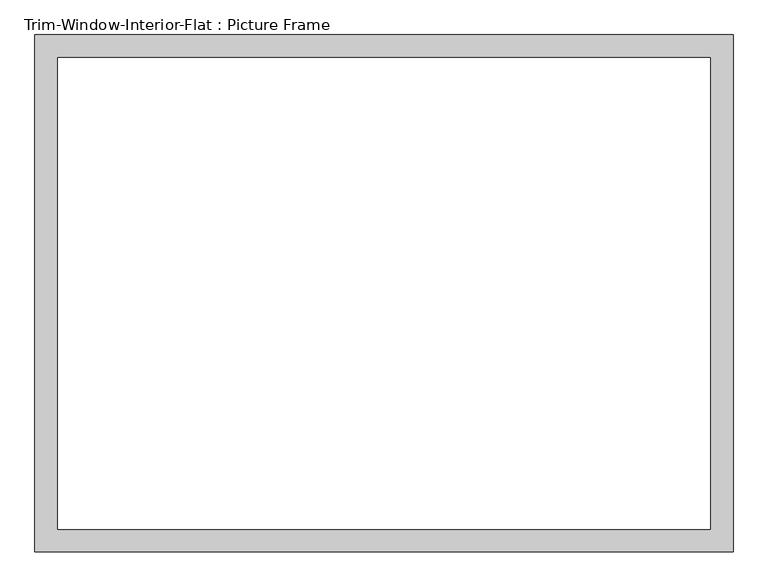
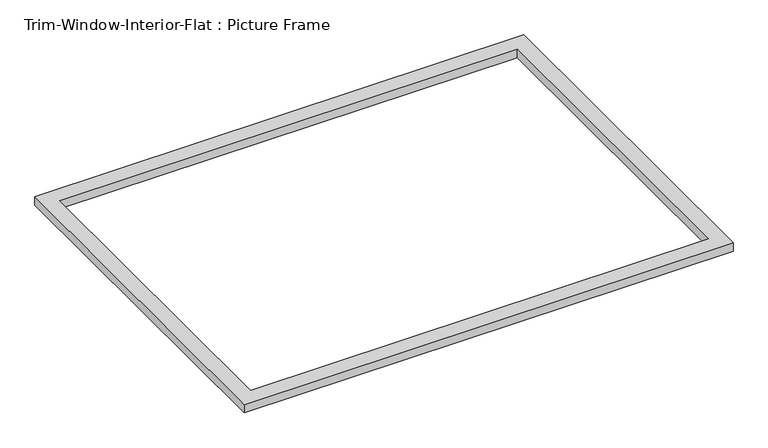
"""IFC4 building model written with IfcOpenShell, lengths in millimetres: proxy geometry, Trim-Window-Interior-Flat : Picture Frame."""

from ifc_helpers import new_model, si_unit, origin, origin_with_axes, place, context, project, spatial, polyline, outline, extrude, source, transform, mapped, element, save


def trim_window_interior_flat_picture_frame_e42edf77(model_context):
    return source(origin(), model_context, "Body", "SweptSolid", [
        extrude(outline(polyline([(882.65, 44.45), (882.65, -1263.65), (-882.65, -1263.65), (-882.65, 44.45), (882.65, 44.45)]), holes=[polyline([(825.5, -12.7), (-825.5, -12.7), (-825.5, -1206.5), (825.5, -1206.5), (825.5, -12.7)])]), origin_with_axes(), (0.0, 0.0, 1.0), 31.75),
    ])


if __name__ == "__main__":
    model = new_model("IFC4")
    model_context = context("Model", 3, world=origin())
    ifc_project = project(units=[si_unit("LENGTHUNIT", "METRE", prefix="MILLI")], contexts=[model_context])
    site = spatial("IfcSite", under=ifc_project)
    building = spatial("IfcBuilding", under=site)
    placement = place(None, origin())
    trim_window_interior_flat_picture_frame_shape = trim_window_interior_flat_picture_frame_e42edf77(model_context)
    element("IfcBuildingElementProxy", 1, Name="Trim-Window-Interior-Flat : Picture Frame", ObjectType="Trim-Window-Interior-Flat : Picture Frame", at=placement, inside=building, context=model_context, shape_type="MappedRepresentation", body=[
        mapped(trim_window_interior_flat_picture_frame_shape, transform((0.0, 0.0, 0.0), x_axis=(1.0, 0.0, 0.0), y_axis=(0.0, 1.0, 0.0), z_axis=(0.0, 0.0, 1.0))),
    ])
    save(model, "model.ifc")
